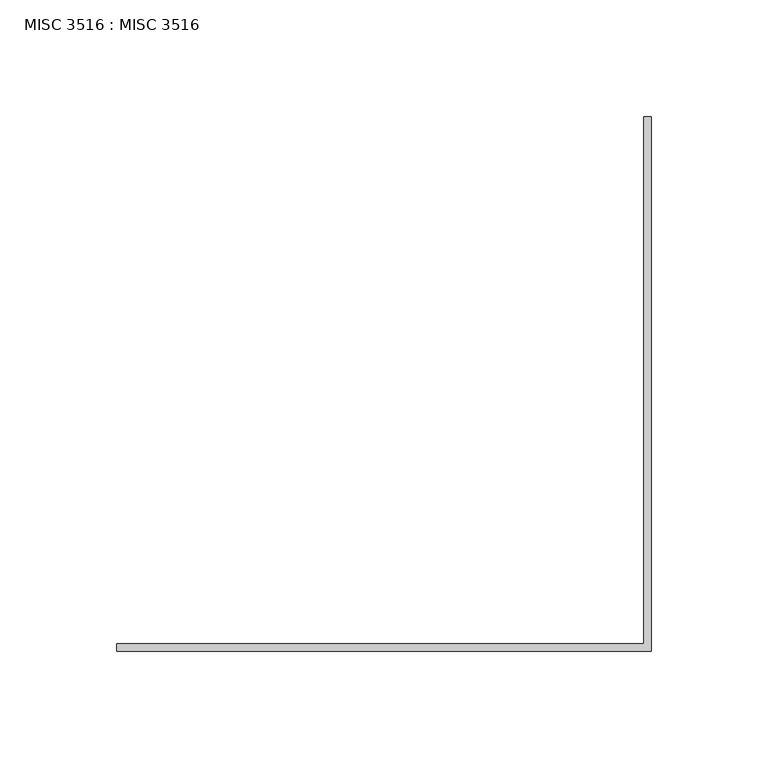
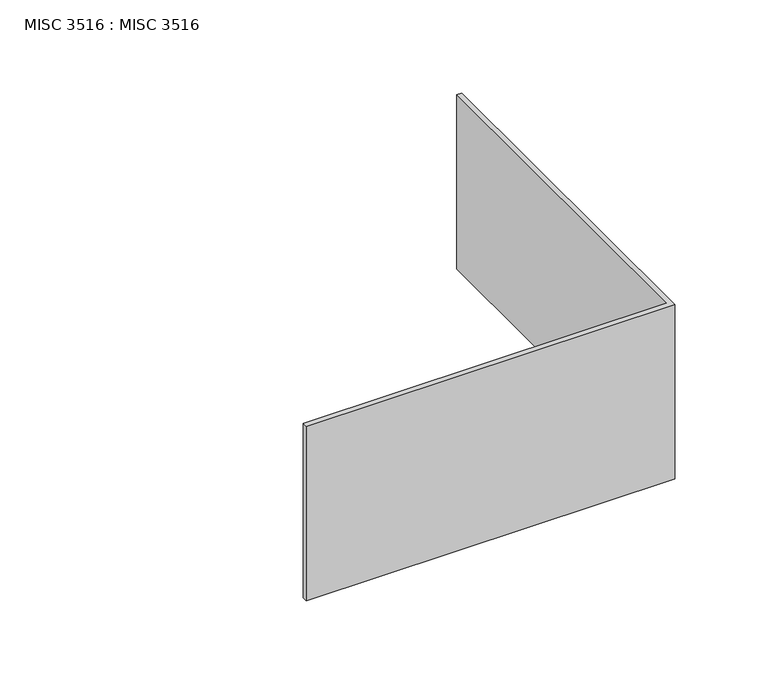
"""IFC4 building model written with IfcOpenShell, lengths in millimetres: beam geometry, MISC 3516 : MISC 3516."""

from ifc_helpers import new_model, si_unit, frame, origin, place, context, project, spatial, polyline, outline, extrude, source, transform, mapped, element, save


def misc_3516_misc_3516_16a7a105(model_context):
    return source(origin(), model_context, "Body", "SweptSolid", [
        extrude(outline(polyline([(987.4249985, 2092.325), (990.5999985, 2092.325), (990.5999985, 1863.7249939), (761.9999924, 1863.7249939), (761.9999924, 1866.8999939), (987.4249985, 1866.8999939), (987.4249985, 2092.325)])), frame((0.0, 0.0, -130.175), z_axis=(0.0, 0.0, 1.0), x_axis=(1.0, 0.0, 0.0)), (0.0, 0.0, 1.0), 114.3),
    ])


if __name__ == "__main__":
    model = new_model("IFC4")
    model_context = context("Model", 3, world=origin())
    ifc_project = project(units=[si_unit("LENGTHUNIT", "METRE", prefix="MILLI")], contexts=[model_context])
    site = spatial("IfcSite", under=ifc_project)
    building = spatial("IfcBuilding", under=site)
    placement = place(None, origin())
    misc_3516_misc_3516_shape = misc_3516_misc_3516_16a7a105(model_context)
    element("IfcBeam", 1, ObjectType="MISC 3516 : MISC 3516", at=placement, inside=building, context=model_context, shape_type="MappedRepresentation", body=[
        mapped(misc_3516_misc_3516_shape, transform((0.0, 0.0, 0.0), x_axis=(1.0, 0.0, 0.0), y_axis=(0.0, 1.0, 0.0), z_axis=(0.0, 0.0, 1.0))),
    ])
    save(model, "model.ifc")
